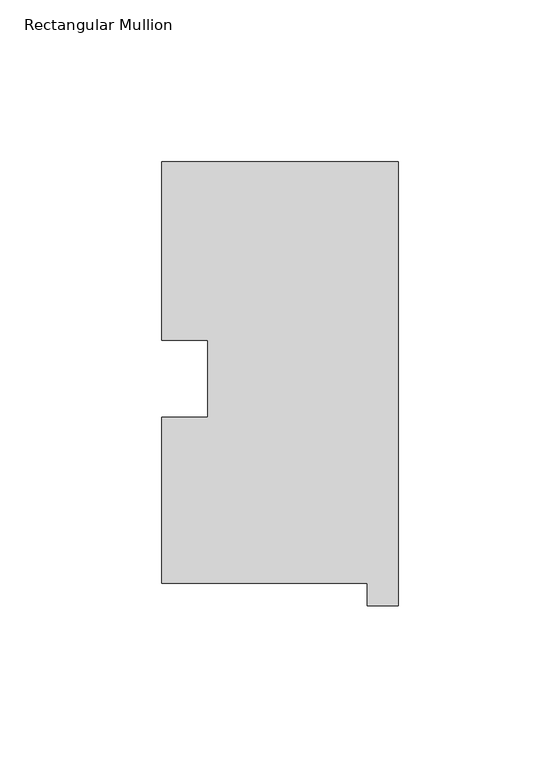
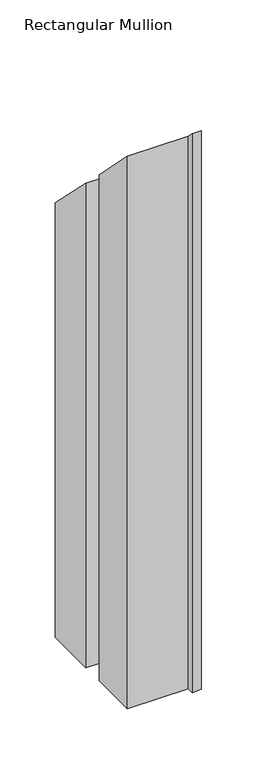
"""IFC4 building model written with IfcOpenShell, lengths in millimetres: member geometry, Rectangular Mullion."""

from ifc_helpers import new_model, si_unit, origin, place, context, project, spatial, faceted_brep, source, transform, mapped, element, save


def rectangular_mullion_4fffc1c3(model_context):
    return source(origin(), model_context, "Body", "Brep", [
        faceted_brep([(-9.525, 0.26035, -609.6), (-73.025, 0.26035, -609.6), (-73.025, 51.60645, -609.6), (-58.785125, 51.60645, -609.6), (-58.785125, 75.40625, -609.6), (-73.025, 75.40625, -609.6), (-73.025, 130.56235, -609.6), (0.0, 130.56235, -609.6), (0.0, -6.64845, -609.6), (-9.525, -6.64845, -609.6), (-9.525, -6.64845, 6.64845), (-9.525, 0.26035, -0.26035), (0.0, -6.64845, 6.64845), (0.0, 130.56235, -130.56235), (-73.025, 130.56235, -130.56235), (-73.025, 75.40625, -75.40625), (-58.785125, 75.40625, -75.40625), (-58.785125, 51.60645, -51.60645), (-73.025, 51.60645, -51.60645), (-73.025, 0.26035, -0.26035)], [[[0, 1, 2, 3, 4, 5, 6, 7, 8, 9]], [[10, 11, 0, 9]], [[12, 10, 9, 8]], [[13, 12, 8, 7]], [[14, 13, 7, 6]], [[15, 14, 6, 5]], [[16, 15, 5, 4]], [[17, 16, 4, 3]], [[18, 17, 3, 2]], [[19, 18, 2, 1]], [[11, 19, 1, 0]], [[11, 10, 12, 13, 14, 15, 16, 17, 18, 19]]]),
    ])


if __name__ == "__main__":
    model = new_model("IFC4")
    model_context = context("Model", 3, world=origin())
    ifc_project = project(units=[si_unit("LENGTHUNIT", "METRE", prefix="MILLI")], contexts=[model_context])
    site = spatial("IfcSite", under=ifc_project)
    building = spatial("IfcBuilding", under=site)
    placement = place(None, origin())
    rectangular_mullion_shape = rectangular_mullion_4fffc1c3(model_context)
    element("IfcMember", 1, ObjectType="Rectangular Mullion", at=placement, inside=building, context=model_context, shape_type="MappedRepresentation", body=[
        mapped(rectangular_mullion_shape, transform((0.0, 0.0, 0.0), x_axis=(1.0, 0.0, 0.0), y_axis=(0.0, 1.0, 0.0), z_axis=(0.0, 0.0, 1.0))),
    ])
    save(model, "model.ifc")
